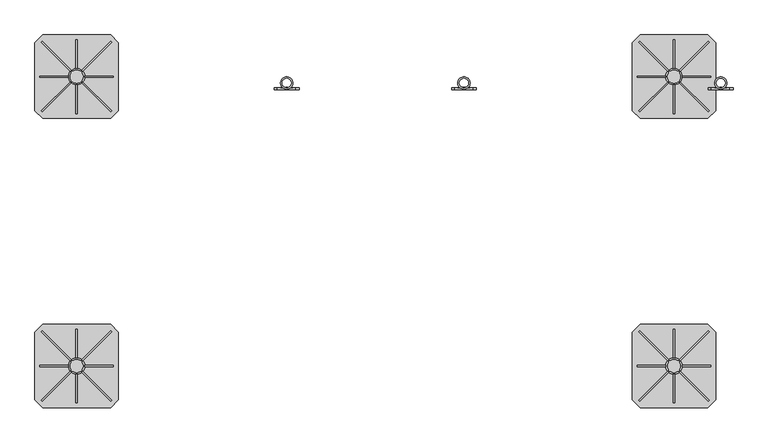
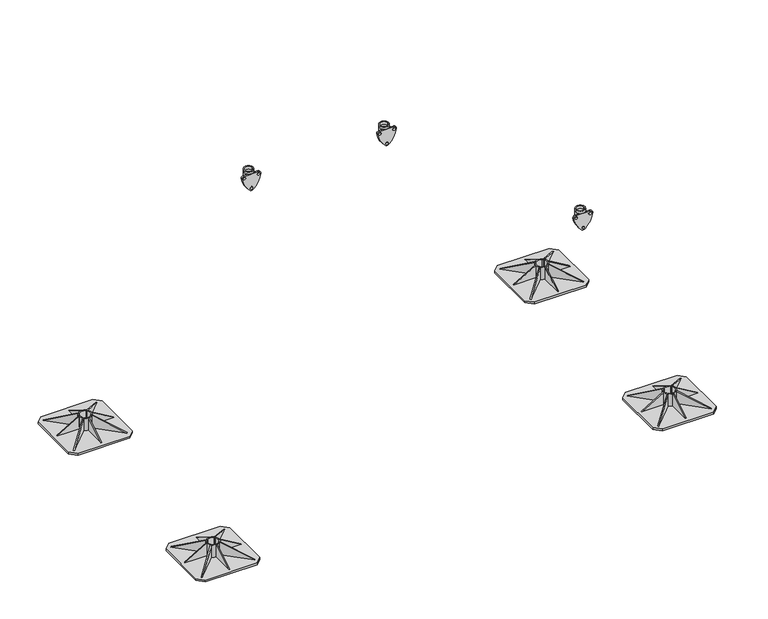
"""IFC4 building model written with IfcOpenShell, lengths in millimetres: beam geometry."""

from ifc_helpers import new_model, si_unit, point, frame, frame_2d, origin, origin_with_axes, place, context, project, spatial, polyline, circle_curve, trimmed, segment, composite_curve, outline, extrude, source, transform, mapped, element, save
from ifc_brep_helpers import plane_surface, cylinder_surface, revolved_surface, advanced_brep


def beam_6e7a7972(model_context):
    return source(origin(), model_context, "Body", "SolidModel", [
        extrude(outline(polyline([(0.0, 0.0), (169.9235121, 0.0), (145.0593839, -60.0564328), (0.0, 0.0)])), frame((1277.0218613, 419.9426048, 10.0), z_axis=(0.7071067811865491, 0.7071067811865459, 0.0), x_axis=(-0.653327860317026, 0.653327860317029, 0.3825250499864671)), (0.0, 0.0, 1.0), 5.0),
        extrude(outline(polyline([(0.0, 0.0), (-145.0593839, -60.0564328), (-169.9235121, 0.0), (0.0, 0.0)])), frame((1013.9781387, 419.9426048, 10.0), z_axis=(-0.7071067811865449, 0.7071067811865502, 0.0), x_axis=(-0.65332786031703, -0.653327860317025, -0.38252504998646697)), (0.0, 0.0, 1.0), 5.0),
        extrude(outline(polyline([(0.0, 0.0), (169.9235121, 0.0), (145.0593839, -60.0564328), (0.0, 0.0)])), frame((1280.5573952, 686.5218613, 10.0), z_axis=(-0.707106781186539, 0.7071067811865561, 0.0), x_axis=(-0.6533278603170355, -0.6533278603170196, 0.3825250499864671)), (0.0, 0.0, 1.0), 5.0),
        extrude(outline(polyline([(10.0, 1004.0), (10.0, 1114.0), (75.0, 1114.0), (10.0, 1004.0)])), frame((0.0, 552.5, 0.0), z_axis=(0.0, 1.0, 0.0), x_axis=(0.0, 0.0, 1.0)), (0.0, 0.0, 1.0), 5.0),
        extrude(outline(polyline([(696.5, 10.0), (586.5, 10.0), (586.5, 75.0), (696.5, 10.0)])), frame((1143.0, 0.0, 0.0), z_axis=(1.0, 0.0, 0.0), x_axis=(0.0, 1.0, 0.0)), (0.0, 0.0, 1.0), 5.0),
        extrude(outline(polyline([(413.5, 10.0), (523.5, 75.0), (523.5, 10.0), (413.5, 10.0)])), frame((1143.0, 0.0, 0.0), z_axis=(1.0, 0.0, 0.0), x_axis=(0.0, 1.0, 0.0)), (0.0, 0.0, 1.0), 5.0),
        extrude(outline(polyline([(0.0, 0.0), (-145.0593839, -60.0564328), (-169.9235121, 0.0), (0.0, 0.0)])), frame((1010.4426048, 686.5218613, 10.0), z_axis=(0.7071067811865491, 0.707106781186546, 0.0), x_axis=(-0.6533278603170262, 0.653327860317029, -0.3825250499864671)), (0.0, 0.0, 1.0), 5.0),
        extrude(outline(polyline([(10.0, 1287.0), (75.0, 1177.0), (10.0, 1177.0), (10.0, 1287.0)])), frame((0.0, 552.5, 0.0), z_axis=(0.0, 1.0, 0.0), x_axis=(0.0, 0.0, 1.0)), (0.0, 0.0, 1.0), 5.0),
        extrude(outline(composite_curve([segment(trimmed(circle_curve(frame_2d((1145.5, 555.0)), 31.5), [point((1114.0, 555.0))], [point((1177.0, 555.0))], False, "CARTESIAN"), True, "CONTINUOUS"), segment(trimmed(circle_curve(frame_2d((1145.5, 555.0)), 31.5), [point((1177.0, 555.0))], [point((1114.0, 555.0))], False, "CARTESIAN"), True, "CONTINUOUS")], self_intersect=False), holes=[composite_curve([segment(polyline([(1125.5, 540.0), (1125.5, 535.0), (1130.5, 535.0)]), True, "CONTINUOUS"), segment(trimmed(circle_curve(frame_2d((1145.5, 555.0)), 25.0), [point((1130.5, 535.0))], [point((1160.5, 535.0))], True, "CARTESIAN"), True, "CONTINUOUS"), segment(polyline([(1160.5, 535.0), (1165.5, 535.0), (1165.5, 540.0)]), True, "CONTINUOUS"), segment(trimmed(circle_curve(frame_2d((1145.5, 555.0)), 25.0), [point((1165.5, 540.0))], [point((1165.5, 570.0))], True, "CARTESIAN"), True, "CONTINUOUS"), segment(polyline([(1165.5, 570.0), (1165.5, 575.0), (1160.5, 575.0)]), True, "CONTINUOUS"), segment(trimmed(circle_curve(frame_2d((1145.5, 555.0)), 25.0), [point((1160.5, 575.0))], [point((1130.5, 575.0))], True, "CARTESIAN"), True, "CONTINUOUS"), segment(polyline([(1130.5, 575.0), (1125.5, 575.0), (1125.5, 570.0)]), True, "CONTINUOUS"), segment(trimmed(circle_curve(frame_2d((1145.5, 555.0)), 25.0), [point((1125.5, 570.0))], [point((1125.5, 540.0))], True, "CARTESIAN"), True, "CONTINUOUS")], self_intersect=False)]), frame((0.0, 0.0, 10.0), z_axis=(0.0, 0.0, 1.0), x_axis=(1.0, 0.0, 0.0)), (0.0, 0.0, 1.0), 65.0),
        extrude(outline(polyline([(1275.5, 715.0), (1305.5, 685.0), (1305.5, 425.0), (1275.5, 395.0), (1015.5, 395.0), (985.5, 425.0), (985.5, 685.0), (1015.5, 715.0), (1275.5, 715.0)])), origin_with_axes(), (0.0, 0.0, 1.0), 10.0),
        extrude(outline(polyline([(0.0, 0.0), (169.9235121, 0.0), (145.0593839, -60.0564328), (0.0, 0.0)])), frame((-1013.9781387, 419.9426048, 10.0), z_axis=(0.7071067811865491, 0.7071067811865459, 0.0), x_axis=(-0.653327860317026, 0.653327860317029, 0.3825250499864671)), (0.0, 0.0, 1.0), 5.0),
        extrude(outline(polyline([(0.0, 0.0), (-145.0593839, -60.0564328), (-169.9235121, 0.0), (0.0, 0.0)])), frame((-1277.0218613, 419.9426048, 10.0), z_axis=(-0.7071067811865449, 0.7071067811865502, 0.0), x_axis=(-0.65332786031703, -0.653327860317025, -0.38252504998646697)), (0.0, 0.0, 1.0), 5.0),
        extrude(outline(polyline([(0.0, 0.0), (169.9235121, 0.0), (145.0593839, -60.0564328), (0.0, 0.0)])), frame((-1010.4426048, 686.5218613, 10.0), z_axis=(-0.707106781186539, 0.7071067811865561, 0.0), x_axis=(-0.6533278603170355, -0.6533278603170196, 0.3825250499864671)), (0.0, 0.0, 1.0), 5.0),
        extrude(outline(polyline([(10.0, -1287.0), (10.0, -1177.0), (75.0, -1177.0), (10.0, -1287.0)])), frame((0.0, 552.5, 0.0), z_axis=(0.0, 1.0, 0.0), x_axis=(0.0, 0.0, 1.0)), (0.0, 0.0, 1.0), 5.0),
        extrude(outline(polyline([(696.5, 10.0), (586.5, 10.0), (586.5, 75.0), (696.5, 10.0)])), frame((-1148.0, 0.0, 0.0), z_axis=(1.0, 0.0, 0.0), x_axis=(0.0, 1.0, 0.0)), (0.0, 0.0, 1.0), 5.0),
        extrude(outline(polyline([(413.5, 10.0), (523.5, 75.0), (523.5, 10.0), (413.5, 10.0)])), frame((-1148.0, 0.0, 0.0), z_axis=(1.0, 0.0, 0.0), x_axis=(0.0, 1.0, 0.0)), (0.0, 0.0, 1.0), 5.0),
        extrude(outline(polyline([(0.0, 0.0), (-145.0593839, -60.0564328), (-169.9235121, 0.0), (0.0, 0.0)])), frame((-1280.5573952, 686.5218613, 10.0), z_axis=(0.7071067811865491, 0.707106781186546, 0.0), x_axis=(-0.6533278603170262, 0.653327860317029, -0.3825250499864671)), (0.0, 0.0, 1.0), 5.0),
        extrude(outline(polyline([(10.0, -1004.0), (75.0, -1114.0), (10.0, -1114.0), (10.0, -1004.0)])), frame((0.0, 552.5, 0.0), z_axis=(0.0, 1.0, 0.0), x_axis=(0.0, 0.0, 1.0)), (0.0, 0.0, 1.0), 5.0),
        extrude(outline(composite_curve([segment(trimmed(circle_curve(frame_2d((-1145.5, 555.0)), 31.5), [point((-1177.0, 555.0))], [point((-1114.0, 555.0))], False, "CARTESIAN"), True, "CONTINUOUS"), segment(trimmed(circle_curve(frame_2d((-1145.5, 555.0)), 31.5), [point((-1114.0, 555.0))], [point((-1177.0, 555.0))], False, "CARTESIAN"), True, "CONTINUOUS")], self_intersect=False), holes=[composite_curve([segment(polyline([(-1165.5, 540.0), (-1165.5, 535.0), (-1160.5, 535.0)]), True, "CONTINUOUS"), segment(trimmed(circle_curve(frame_2d((-1145.5, 555.0)), 25.0), [point((-1160.5, 535.0))], [point((-1130.5, 535.0))], True, "CARTESIAN"), True, "CONTINUOUS"), segment(polyline([(-1130.5, 535.0), (-1125.5, 535.0), (-1125.5, 540.0)]), True, "CONTINUOUS"), segment(trimmed(circle_curve(frame_2d((-1145.5, 555.0)), 25.0), [point((-1125.5, 540.0))], [point((-1125.5, 570.0))], True, "CARTESIAN"), True, "CONTINUOUS"), segment(polyline([(-1125.5, 570.0), (-1125.5, 575.0), (-1130.5, 575.0)]), True, "CONTINUOUS"), segment(trimmed(circle_curve(frame_2d((-1145.5, 555.0)), 25.0), [point((-1130.5, 575.0))], [point((-1160.5, 575.0))], True, "CARTESIAN"), True, "CONTINUOUS"), segment(polyline([(-1160.5, 575.0), (-1165.5, 575.0), (-1165.5, 570.0)]), True, "CONTINUOUS"), segment(trimmed(circle_curve(frame_2d((-1145.5, 555.0)), 25.0), [point((-1165.5, 570.0))], [point((-1165.5, 540.0))], True, "CARTESIAN"), True, "CONTINUOUS")], self_intersect=False)]), frame((0.0, 0.0, 10.0), z_axis=(0.0, 0.0, 1.0), x_axis=(1.0, 0.0, 0.0)), (0.0, 0.0, 1.0), 65.0),
        extrude(outline(polyline([(-1015.5, 715.0), (-985.5, 685.0), (-985.5, 425.0), (-1015.5, 395.0), (-1275.5, 395.0), (-1305.5, 425.0), (-1305.5, 685.0), (-1275.5, 715.0), (-1015.5, 715.0)])), origin_with_axes(), (0.0, 0.0, 1.0), 10.0),
        extrude(outline(polyline([(0.0, 0.0), (169.9235121, 0.0), (145.0593839, -60.0564328), (0.0, 0.0)])), frame((1277.3159116, -690.0573952, 10.0), z_axis=(0.7071067811865491, 0.7071067811865459, 0.0), x_axis=(-0.653327860317026, 0.653327860317029, 0.3825250499864671)), (0.0, 0.0, 1.0), 5.0),
        extrude(outline(polyline([(0.0, 0.0), (-145.059384, -60.0564328), (-169.9235122, 0.0), (0.0, 0.0)])), frame((1014.272189, -690.0573952, 10.0), z_axis=(-0.7071067811865449, 0.7071067811865502, 0.0), x_axis=(-0.65332786031703, -0.653327860317025, -0.38252504998646697)), (0.0, 0.0, 1.0), 5.0),
        extrude(outline(polyline([(0.0, 0.0), (169.9235121, 0.0), (145.0593839, -60.0564328), (0.0, 0.0)])), frame((1280.8514455, -423.4781387, 10.0), z_axis=(-0.707106781186539, 0.7071067811865561, 0.0), x_axis=(-0.6533278603170355, -0.6533278603170196, 0.3825250499864671)), (0.0, 0.0, 1.0), 5.0),
        extrude(outline(polyline([(10.0, 1004.2940503), (10.0, 1114.2940503), (75.0, 1114.2940503), (10.0, 1004.2940503)])), frame((0.0, -557.5, 0.0), z_axis=(0.0, 1.0, 0.0), x_axis=(0.0, 0.0, 1.0)), (0.0, 0.0, 1.0), 5.0),
        extrude(outline(polyline([(-413.5, 10.0), (-523.5, 10.0), (-523.5, 75.0), (-413.5, 10.0)])), frame((1143.2940503, 0.0, 0.0), z_axis=(1.0, 0.0, 0.0), x_axis=(0.0, 1.0, 0.0)), (0.0, 0.0, 1.0), 5.0),
        extrude(outline(polyline([(-696.5, 10.0), (-586.5, 75.0), (-586.5, 10.0), (-696.5, 10.0)])), frame((1143.2940503, 0.0, 0.0), z_axis=(1.0, 0.0, 0.0), x_axis=(0.0, 1.0, 0.0)), (0.0, 0.0, 1.0), 5.0),
        extrude(outline(polyline([(0.0, 0.0), (-145.059384, -60.0564328), (-169.9235122, 0.0), (0.0, 0.0)])), frame((1010.7366551, -423.4781387, 10.0), z_axis=(0.7071067811865491, 0.707106781186546, 0.0), x_axis=(-0.6533278603170262, 0.653327860317029, -0.3825250499864671)), (0.0, 0.0, 1.0), 5.0),
        extrude(outline(polyline([(10.0, 1287.2940503), (75.0, 1177.2940503), (10.0, 1177.2940503), (10.0, 1287.2940503)])), frame((0.0, -557.5, 0.0), z_axis=(0.0, 1.0, 0.0), x_axis=(0.0, 0.0, 1.0)), (0.0, 0.0, 1.0), 5.0),
        extrude(outline(composite_curve([segment(trimmed(circle_curve(frame_2d((1145.7940503, -555.0)), 31.5), [point((1114.2940503, -555.0))], [point((1177.2940503, -555.0))], False, "CARTESIAN"), True, "CONTINUOUS"), segment(trimmed(circle_curve(frame_2d((1145.7940503, -555.0)), 31.5), [point((1177.2940503, -555.0))], [point((1114.2940503, -555.0))], False, "CARTESIAN"), True, "CONTINUOUS")], self_intersect=False), holes=[composite_curve([segment(polyline([(1125.7940503, -570.0), (1125.7940503, -575.0), (1130.7940503, -575.0)]), True, "CONTINUOUS"), segment(trimmed(circle_curve(frame_2d((1145.7940503, -555.0)), 25.0), [point((1130.7940503, -575.0))], [point((1160.7940503, -575.0))], True, "CARTESIAN"), True, "CONTINUOUS"), segment(polyline([(1160.7940503, -575.0), (1165.7940503, -575.0), (1165.7940503, -570.0)]), True, "CONTINUOUS"), segment(trimmed(circle_curve(frame_2d((1145.7940503, -555.0)), 25.0), [point((1165.7940503, -570.0))], [point((1165.7940503, -540.0))], True, "CARTESIAN"), True, "CONTINUOUS"), segment(polyline([(1165.7940503, -540.0), (1165.7940503, -535.0), (1160.7940503, -535.0)]), True, "CONTINUOUS"), segment(trimmed(circle_curve(frame_2d((1145.7940503, -555.0)), 25.0), [point((1160.7940503, -535.0))], [point((1130.7940503, -535.0))], True, "CARTESIAN"), True, "CONTINUOUS"), segment(polyline([(1130.7940503, -535.0), (1125.7940503, -535.0), (1125.7940503, -540.0)]), True, "CONTINUOUS"), segment(trimmed(circle_curve(frame_2d((1145.7940503, -555.0)), 25.0), [point((1125.7940503, -540.0))], [point((1125.7940503, -570.0))], True, "CARTESIAN"), True, "CONTINUOUS")], self_intersect=False)]), frame((0.0, 0.0, 10.0), z_axis=(0.0, 0.0, 1.0), x_axis=(1.0, 0.0, 0.0)), (0.0, 0.0, 1.0), 65.0),
        extrude(outline(polyline([(1275.7940503, -395.0), (1305.7940503, -425.0), (1305.7940503, -685.0), (1275.7940503, -715.0), (1015.7940503, -715.0), (985.7940503, -685.0), (985.7940503, -425.0), (1015.7940503, -395.0), (1275.7940503, -395.0)])), origin_with_axes(), (0.0, 0.0, 1.0), 10.0),
        extrude(outline(polyline([(0.0, 0.0), (169.9235121, 0.0), (145.0593839, -60.0564328), (0.0, 0.0)])), frame((-1013.9781387, -690.0573952, 10.0), z_axis=(0.7071067811865491, 0.7071067811865459, 0.0), x_axis=(-0.653327860317026, 0.653327860317029, 0.3825250499864671)), (0.0, 0.0, 1.0), 5.0),
        extrude(outline(polyline([(0.0, 0.0), (-145.0593839, -60.0564328), (-169.9235121, 0.0), (0.0, 0.0)])), frame((-1277.0218613, -690.0573952, 10.0), z_axis=(-0.7071067811865449, 0.7071067811865502, 0.0), x_axis=(-0.65332786031703, -0.653327860317025, -0.38252504998646697)), (0.0, 0.0, 1.0), 5.0),
        extrude(outline(polyline([(0.0, 0.0), (169.9235121, 0.0), (145.0593839, -60.0564328), (0.0, 0.0)])), frame((-1010.4426048, -423.4781387, 10.0), z_axis=(-0.707106781186539, 0.7071067811865561, 0.0), x_axis=(-0.6533278603170355, -0.6533278603170196, 0.3825250499864671)), (0.0, 0.0, 1.0), 5.0),
        extrude(outline(polyline([(10.0, -1287.0), (10.0, -1177.0), (75.0, -1177.0), (10.0, -1287.0)])), frame((0.0, -557.5, 0.0), z_axis=(0.0, 1.0, 0.0), x_axis=(0.0, 0.0, 1.0)), (0.0, 0.0, 1.0), 5.0),
        extrude(outline(polyline([(-413.5, 10.0), (-523.5, 10.0), (-523.5, 75.0), (-413.5, 10.0)])), frame((-1148.0, 0.0, 0.0), z_axis=(1.0, 0.0, 0.0), x_axis=(0.0, 1.0, 0.0)), (0.0, 0.0, 1.0), 5.0),
        extrude(outline(polyline([(-696.5, 10.0), (-586.5, 75.0), (-586.5, 10.0), (-696.5, 10.0)])), frame((-1148.0, 0.0, 0.0), z_axis=(1.0, 0.0, 0.0), x_axis=(0.0, 1.0, 0.0)), (0.0, 0.0, 1.0), 5.0),
        extrude(outline(polyline([(0.0, 0.0), (-145.0593839, -60.0564328), (-169.9235121, 0.0), (0.0, 0.0)])), frame((-1280.5573952, -423.4781387, 10.0), z_axis=(0.7071067811865491, 0.707106781186546, 0.0), x_axis=(-0.6533278603170262, 0.653327860317029, -0.3825250499864671)), (0.0, 0.0, 1.0), 5.0),
        extrude(outline(polyline([(10.0, -1004.0), (75.0, -1114.0), (10.0, -1114.0), (10.0, -1004.0)])), frame((0.0, -557.5, 0.0), z_axis=(0.0, 1.0, 0.0), x_axis=(0.0, 0.0, 1.0)), (0.0, 0.0, 1.0), 5.0),
        extrude(outline(composite_curve([segment(trimmed(circle_curve(frame_2d((-1145.5, -555.0)), 31.5), [point((-1177.0, -555.0))], [point((-1114.0, -555.0))], False, "CARTESIAN"), True, "CONTINUOUS"), segment(trimmed(circle_curve(frame_2d((-1145.5, -555.0)), 31.5), [point((-1114.0, -555.0))], [point((-1177.0, -555.0))], False, "CARTESIAN"), True, "CONTINUOUS")], self_intersect=False), holes=[composite_curve([segment(polyline([(-1165.5, -570.0), (-1165.5, -575.0), (-1160.5, -575.0)]), True, "CONTINUOUS"), segment(trimmed(circle_curve(frame_2d((-1145.5, -555.0)), 25.0), [point((-1160.5, -575.0))], [point((-1130.5, -575.0))], True, "CARTESIAN"), True, "CONTINUOUS"), segment(polyline([(-1130.5, -575.0), (-1125.5, -575.0), (-1125.5, -570.0)]), True, "CONTINUOUS"), segment(trimmed(circle_curve(frame_2d((-1145.5, -555.0)), 25.0), [point((-1125.5, -570.0))], [point((-1125.5, -540.0))], True, "CARTESIAN"), True, "CONTINUOUS"), segment(polyline([(-1125.5, -540.0), (-1125.5, -535.0), (-1130.5, -535.0)]), True, "CONTINUOUS"), segment(trimmed(circle_curve(frame_2d((-1145.5, -555.0)), 25.0), [point((-1130.5, -535.0))], [point((-1160.5, -535.0))], True, "CARTESIAN"), True, "CONTINUOUS"), segment(polyline([(-1160.5, -535.0), (-1165.5, -535.0), (-1165.5, -540.0)]), True, "CONTINUOUS"), segment(trimmed(circle_curve(frame_2d((-1145.5, -555.0)), 25.0), [point((-1165.5, -540.0))], [point((-1165.5, -570.0))], True, "CARTESIAN"), True, "CONTINUOUS")], self_intersect=False)]), frame((0.0, 0.0, 10.0), z_axis=(0.0, 0.0, 1.0), x_axis=(1.0, 0.0, 0.0)), (0.0, 0.0, 1.0), 65.0),
        extrude(outline(polyline([(-1015.5, -395.0), (-985.5, -425.0), (-985.5, -685.0), (-1015.5, -715.0), (-1275.5, -715.0), (-1305.5, -685.0), (-1305.5, -425.0), (-1275.5, -395.0), (-1015.5, -395.0)])), origin_with_axes(), (0.0, 0.0, 1.0), 10.0),
        advanced_brep(
        [(1301.5, 530.5, 318.5021879), (1348.5, 530.5, 318.5021879), (1307.5, 530.5, 318.5021879), (1342.5, 530.5, 318.5021879), (1309.3156129, 513.0, 306.5021879), (1325.0, 513.0, 306.5021879), (1340.6843871, 513.0, 306.5021879), (1342.5, 530.5, 306.5021879), (1329.2742096, 513.5299932, 306.5021879), (1325.0, 513.0, 306.5021879), (1320.7257904, 513.5299932, 306.5021879), (1307.5, 530.5, 306.5021879), (1348.5, 530.5, 306.5021879), (1301.5, 530.5, 306.5021879), (1305.0724935, 518.0442991, 306.5021879), (1344.9275065, 518.0442991, 306.5021879), (1347.839834, 513.0, 306.5021879), (1302.160166, 513.0, 306.5021879), (1344.9275065, 518.0442991, 242.5021879), (1347.839834, 513.0, 242.5021879), (1302.160166, 513.0, 242.5021879), (1305.0724935, 518.0442991, 242.5021879), (1329.2742096, 513.5299932, 242.5021879), (1320.7257904, 513.5299932, 242.5021879)],
        [
            (0, 1, circle_curve(frame((1325.0, 530.5, 318.5021879), z_axis=(0.0, 0.0, 1.0), x_axis=(1.0, 0.0, 0.0)), 23.5)),
            (1, 0, circle_curve(frame((1325.0, 530.5, 318.5021879), z_axis=(0.0, 0.0, 1.0), x_axis=(1.0, 0.0, 0.0)), 23.5)),
            (2, 3, circle_curve(frame((1325.0, 530.5, 318.5021879), z_axis=(0.0, 0.0, -1.0), x_axis=(1.0, 0.0, 0.0)), 17.5)),
            (3, 2, circle_curve(frame((1325.0, 530.5, 318.5021879), z_axis=(0.0, 0.0, -1.0), x_axis=(1.0, 0.0, 0.0)), 17.5)),
            (4, 5),
            (5, 6),
            (6, 4, circle_curve(frame((1325.0, 530.5, 306.5021879), z_axis=(0.0, 0.0, -1.0), x_axis=(1.0, 0.0, 0.0)), 23.5)),
            (3, 7),
            (7, 8, circle_curve(frame((1325.0, 530.5, 306.5021879), z_axis=(0.0, 0.0, -1.0), x_axis=(1.0, 0.0, 0.0)), 17.5)),
            (8, 9, circle_curve(frame((1325.0, 530.5, 306.5021879), z_axis=(0.0, 0.0, -1.0), x_axis=(1.0, 0.0, 0.0)), 17.5)),
            (9, 10, circle_curve(frame((1325.0, 530.5, 306.5021879), z_axis=(0.0, 0.0, -1.0), x_axis=(1.0, 0.0, 0.0)), 17.5)),
            (10, 11, circle_curve(frame((1325.0, 530.5, 306.5021879), z_axis=(0.0, 0.0, -1.0), x_axis=(1.0, 0.0, 0.0)), 17.5)),
            (11, 2),
            (11, 7, circle_curve(frame((1325.0, 530.5, 306.5021879), z_axis=(0.0, 0.0, -1.0), x_axis=(1.0, 0.0, 0.0)), 17.5)),
            (1, 12),
            (12, 13, circle_curve(frame((1325.0, 530.5, 306.5021879), z_axis=(0.0, 0.0, 1.0), x_axis=(1.0, 0.0, 0.0)), 23.5)),
            (13, 0),
            (13, 14, circle_curve(frame((1325.0, 530.5, 306.5021879), z_axis=(0.0, 0.0, 1.0), x_axis=(1.0, 0.0, 0.0)), 23.5)),
            (14, 4, circle_curve(frame((1325.0, 530.5, 306.5021879), z_axis=(0.0, 0.0, 1.0), x_axis=(1.0, 0.0, 0.0)), 23.5)),
            (6, 15, circle_curve(frame((1325.0, 530.5, 306.5021879), z_axis=(0.0, 0.0, 1.0), x_axis=(1.0, 0.0, 0.0)), 23.5)),
            (15, 12, circle_curve(frame((1325.0, 530.5, 306.5021879), z_axis=(0.0, 0.0, 1.0), x_axis=(1.0, 0.0, 0.0)), 23.5)),
            (8, 10),
            (6, 16),
            (16, 15, circle_curve(frame((1347.8288747, 516.3565387, 306.5021879), z_axis=(0.0, 0.0, -1.0), x_axis=(-1.0, 0.0, 0.0)), 3.3565566)),
            (17, 4),
            (14, 17, circle_curve(frame((1302.1711253, 516.3565387, 306.5021879), z_axis=(0.0, 0.0, -1.0), x_axis=(1.0, 0.0, 0.0)), 3.3565566)),
            (18, 19, circle_curve(frame((1347.8288747, 516.3565387, 242.5021879), z_axis=(0.0, 0.0, 1.0), x_axis=(-1.0, 0.0, 0.0)), 3.3565566)),
            (19, 20),
            (20, 21, circle_curve(frame((1302.1711253, 516.3565387, 242.5021879), z_axis=(0.0, 0.0, 1.0), x_axis=(1.0, 0.0, 0.0)), 3.3565566)),
            (21, 18, circle_curve(frame((1325.0, 530.5, 242.5021879), z_axis=(0.0, 0.0, -1.0), x_axis=(1.0, 0.0, 0.0)), 23.5)),
            (22, 23, circle_curve(frame((1325.0, 530.5, 242.5021879), z_axis=(0.0, 0.0, 1.0), x_axis=(1.0, 0.0, 0.0)), 17.5)),
            (23, 22),
            (22, 8),
            (10, 23),
            (16, 19),
            (18, 15),
            (17, 20),
            (14, 21),
        ],
        [
            plane_surface(frame((1342.5, 530.5, 318.5021879), z_axis=(0.0, 0.0, 1.0), x_axis=(0.0, 1.0, 0.0))),
            plane_surface(frame((1342.5, 530.5, 306.5021879), z_axis=(0.0, 0.0, -1.0), x_axis=(0.0, -1.0, 0.0))),
            revolved_surface(polyline([(1342.5, 530.5, 306.5021879), (1342.5, 530.5, 318.5021879)]), (1325.0, 530.5, 306.5021879), (0.0, 0.0, -1.0)),
            cylinder_surface(frame((1325.0, 530.5, 306.5021879), z_axis=(0.0, 0.0, 1.0), x_axis=(1.0, 0.0, 0.0)), 23.5),
            plane_surface(frame((1342.5, 530.5, 306.5021879), z_axis=(0.0, 0.0, 1.0), x_axis=(0.0, 1.0, 0.0))),
            plane_surface(frame((1342.5, 530.5, 242.5021879), z_axis=(0.0, 0.0, -1.0), x_axis=(0.0, -1.0, 0.0))),
            revolved_surface(polyline([(1342.5, 530.5, 242.5021879), (1342.5, 530.5, 306.5021879)]), (1325.0, 530.5, 242.5021879), (0.0, 0.0, -1.0)),
            plane_surface(frame((1320.7257904, 513.5299932, 306.5021879), z_axis=(0.0, 1.0, 0.0), x_axis=(0.0, 0.0, -1.0))),
            revolved_surface(polyline([(1344.4723181, 516.3565387, 242.5021879), (1344.4723181, 516.3565387, 306.5021879)]), (1347.8288747, 516.3565387, 242.5021879), (0.0, 0.0, -1.0)),
            plane_surface(frame((1347.839834, 513.0, 306.5021879), z_axis=(0.0, -1.0, 0.0), x_axis=(0.0, 0.0, -1.0))),
            revolved_surface(polyline([(1305.5276819, 516.3565387, 242.5021879), (1305.5276819, 516.3565387, 306.5021879)]), (1302.1711253, 516.3565387, 242.5021879), (0.0, 0.0, -1.0)),
            cylinder_surface(frame((1325.0, 530.5, 242.5021879), z_axis=(0.0, 0.0, 1.0), x_axis=(1.0, 0.0, 0.0)), 23.5),
        ],
        [
            (0, [[1, 2], [3, 4]]),
            (1, [[5, 6, 7]]),
            (2, [[8, 9, 10, 11, 12, 13, -4]]),
            (2, [[-13, 14, -8, -3]]),
            (3, [[15, 16, 17, -2]]),
            (3, [[-17, 18, 19, -7, 20, 21, -15, -1]]),
            (4, [[-11, -10, 22]]),
            (4, [[-20, 23, 24]]),
            (4, [[25, -19, 26]]),
            (5, [[27, 28, 29, 30], [31, 32]]),
            (6, [[33, -9, -14, -12, 34, -31]]),
            (7, [[-33, -32, -34, -22]]),
            (8, [[35, -27, 36, -24]]),
            (9, [[-35, -23, -6, -5, -25, 37, -28]]),
            (10, [[38, -29, -37, -26]]),
            (11, [[-38, -18, -16, -21, -36, -30]]),
        ],
    ),
        extrude(outline(composite_curve([segment(trimmed(circle_curve(frame_2d((312.1021879, 1394.4)), 118.3), [point((293.8380046, 1277.5183949))], [point((221.6269174, 1318.1824467))], False, "CARTESIAN"), True, "CONTINUOUS"), segment(trimmed(circle_curve(frame_2d((231.5021879, 1325.0)), 12.0), [point((221.6269174, 1318.1824467))], [point((223.2936993, 1333.753326))], False, "CARTESIAN"), True, "CONTINUOUS"), segment(trimmed(circle_curve(frame_2d((312.1021879, 1255.6)), 118.3), [point((223.2936993, 1333.753326))], [point((293.8380046, 1372.4816051))], False, "CARTESIAN"), True, "CONTINUOUS"), segment(trimmed(circle_curve(frame_2d((294.5021879, 1360.5)), 12.0), [point((293.8380046, 1372.4816051))], [point((306.5021879, 1360.5))], False, "CARTESIAN"), True, "CONTINUOUS"), segment(polyline([(306.5021879, 1360.5), (306.5021879, 1289.5)]), True, "CONTINUOUS"), segment(trimmed(circle_curve(frame_2d((294.5021879, 1289.5)), 12.0), [point((306.5021879, 1289.5))], [point((293.8380046, 1277.5183949))], False, "CARTESIAN"), True, "CONTINUOUS")], self_intersect=False), holes=[composite_curve([segment(trimmed(circle_curve(frame_2d((231.5021879, 1325.0)), 6.0), [point((231.5021879, 1319.0))], [point((231.5021879, 1331.0))], True, "CARTESIAN"), True, "CONTINUOUS"), segment(trimmed(circle_curve(frame_2d((231.5021879, 1325.0)), 6.0), [point((231.5021879, 1331.0))], [point((231.5021879, 1319.0))], True, "CARTESIAN"), True, "CONTINUOUS")], self_intersect=False), composite_curve([segment(trimmed(circle_curve(frame_2d((294.5021879, 1289.5)), 6.0), [point((294.5021879, 1283.5))], [point((294.5021879, 1295.5))], True, "CARTESIAN"), True, "CONTINUOUS"), segment(trimmed(circle_curve(frame_2d((294.5021879, 1289.5)), 6.0), [point((294.5021879, 1295.5))], [point((294.5021879, 1283.5))], True, "CARTESIAN"), True, "CONTINUOUS")], self_intersect=False), composite_curve([segment(trimmed(circle_curve(frame_2d((294.5021879, 1360.5)), 6.0), [point((294.5021879, 1366.5))], [point((294.5021879, 1354.5))], True, "CARTESIAN"), True, "CONTINUOUS"), segment(trimmed(circle_curve(frame_2d((294.5021879, 1360.5)), 6.0), [point((294.5021879, 1354.5))], [point((294.5021879, 1366.5))], True, "CARTESIAN"), True, "CONTINUOUS")], self_intersect=False)]), frame((0.0, 505.0, 0.0), z_axis=(0.0, 1.0, 0.0), x_axis=(0.0, 0.0, 1.0)), (0.0, 0.0, 1.0), 8.0),
        advanced_brep(
        [(316.5, 530.5, 1110.5021879), (363.5, 530.5, 1110.5021879), (322.5, 530.5, 1110.5021879), (357.5, 530.5, 1110.5021879), (324.3156129, 513.0, 1098.5021879), (340.0, 513.0, 1098.5021879), (355.6843871, 513.0, 1098.5021879), (357.5, 530.5, 1098.5021879), (344.2742096, 513.5299932, 1098.5021879), (340.0, 513.0, 1098.5021879), (335.7257904, 513.5299932, 1098.5021879), (322.5, 530.5, 1098.5021879), (363.5, 530.5, 1098.5021879), (316.5, 530.5, 1098.5021879), (320.0724935, 518.0442991, 1098.5021879), (359.9275065, 518.0442991, 1098.5021879), (362.839834, 513.0, 1098.5021879), (317.160166, 513.0, 1098.5021879), (359.9275065, 518.0442991, 1034.5021879), (362.839834, 513.0, 1034.5021879), (317.160166, 513.0, 1034.5021879), (320.0724935, 518.0442991, 1034.5021879), (344.2742096, 513.5299932, 1034.5021879), (335.7257904, 513.5299932, 1034.5021879)],
        [
            (0, 1, circle_curve(frame((340.0, 530.5, 1110.5021879), z_axis=(0.0, 0.0, 1.0), x_axis=(1.0, 0.0, 0.0)), 23.5)),
            (1, 0, circle_curve(frame((340.0, 530.5, 1110.5021879), z_axis=(0.0, 0.0, 1.0), x_axis=(1.0, 0.0, 0.0)), 23.5)),
            (2, 3, circle_curve(frame((340.0, 530.5, 1110.5021879), z_axis=(0.0, 0.0, -1.0), x_axis=(1.0, 0.0, 0.0)), 17.5)),
            (3, 2, circle_curve(frame((340.0, 530.5, 1110.5021879), z_axis=(0.0, 0.0, -1.0), x_axis=(1.0, 0.0, 0.0)), 17.5)),
            (4, 5),
            (5, 6),
            (6, 4, circle_curve(frame((340.0, 530.5, 1098.5021879), z_axis=(0.0, 0.0, -1.0), x_axis=(1.0, 0.0, 0.0)), 23.5)),
            (3, 7),
            (7, 8, circle_curve(frame((340.0, 530.5, 1098.5021879), z_axis=(0.0, 0.0, -1.0), x_axis=(1.0, 0.0, 0.0)), 17.5)),
            (8, 9, circle_curve(frame((340.0, 530.5, 1098.5021879), z_axis=(0.0, 0.0, -1.0), x_axis=(1.0, 0.0, 0.0)), 17.5)),
            (9, 10, circle_curve(frame((340.0, 530.5, 1098.5021879), z_axis=(0.0, 0.0, -1.0), x_axis=(1.0, 0.0, 0.0)), 17.5)),
            (10, 11, circle_curve(frame((340.0, 530.5, 1098.5021879), z_axis=(0.0, 0.0, -1.0), x_axis=(1.0, 0.0, 0.0)), 17.5)),
            (11, 2),
            (11, 7, circle_curve(frame((340.0, 530.5, 1098.5021879), z_axis=(0.0, 0.0, -1.0), x_axis=(1.0, 0.0, 0.0)), 17.5)),
            (1, 12),
            (12, 13, circle_curve(frame((340.0, 530.5, 1098.5021879), z_axis=(0.0, 0.0, 1.0), x_axis=(1.0, 0.0, 0.0)), 23.5)),
            (13, 0),
            (13, 14, circle_curve(frame((340.0, 530.5, 1098.5021879), z_axis=(0.0, 0.0, 1.0), x_axis=(1.0, 0.0, 0.0)), 23.5)),
            (14, 4, circle_curve(frame((340.0, 530.5, 1098.5021879), z_axis=(0.0, 0.0, 1.0), x_axis=(1.0, 0.0, 0.0)), 23.5)),
            (6, 15, circle_curve(frame((340.0, 530.5, 1098.5021879), z_axis=(0.0, 0.0, 1.0), x_axis=(1.0, 0.0, 0.0)), 23.5)),
            (15, 12, circle_curve(frame((340.0, 530.5, 1098.5021879), z_axis=(0.0, 0.0, 1.0), x_axis=(1.0, 0.0, 0.0)), 23.5)),
            (8, 10),
            (6, 16),
            (16, 15, circle_curve(frame((362.8288747, 516.3565387, 1098.5021879), z_axis=(0.0, 0.0, -1.0), x_axis=(-1.0, 0.0, 0.0)), 3.3565566)),
            (17, 4),
            (14, 17, circle_curve(frame((317.1711253, 516.3565387, 1098.5021879), z_axis=(0.0, 0.0, -1.0), x_axis=(1.0, 0.0, 0.0)), 3.3565566)),
            (18, 19, circle_curve(frame((362.8288747, 516.3565387, 1034.5021879), z_axis=(0.0, 0.0, 1.0), x_axis=(-1.0, 0.0, 0.0)), 3.3565566)),
            (19, 20),
            (20, 21, circle_curve(frame((317.1711253, 516.3565387, 1034.5021879), z_axis=(0.0, 0.0, 1.0), x_axis=(1.0, 0.0, 0.0)), 3.3565566)),
            (21, 18, circle_curve(frame((340.0, 530.5, 1034.5021879), z_axis=(0.0, 0.0, -1.0), x_axis=(1.0, 0.0, 0.0)), 23.5)),
            (22, 23, circle_curve(frame((340.0, 530.5, 1034.5021879), z_axis=(0.0, 0.0, 1.0), x_axis=(1.0, 0.0, 0.0)), 17.5)),
            (23, 22),
            (22, 8),
            (10, 23),
            (16, 19),
            (18, 15),
            (17, 20),
            (14, 21),
        ],
        [
            plane_surface(frame((357.5, 530.5, 1110.5021879), z_axis=(0.0, 0.0, 1.0), x_axis=(0.0, 1.0, 0.0))),
            plane_surface(frame((357.5, 530.5, 1098.5021879), z_axis=(0.0, 0.0, -1.0), x_axis=(0.0, -1.0, 0.0))),
            revolved_surface(polyline([(357.5, 530.5, 1098.5021879), (357.5, 530.5, 1110.5021879)]), (340.0, 530.5, 1098.5021879), (0.0, 0.0, -1.0)),
            cylinder_surface(frame((340.0, 530.5, 1098.5021879), z_axis=(0.0, 0.0, 1.0), x_axis=(1.0, 0.0, 0.0)), 23.5),
            plane_surface(frame((357.5, 530.5, 1098.5021879), z_axis=(0.0, 0.0, 1.0), x_axis=(0.0, 1.0, 0.0))),
            plane_surface(frame((357.5, 530.5, 1034.5021879), z_axis=(0.0, 0.0, -1.0), x_axis=(0.0, -1.0, 0.0))),
            revolved_surface(polyline([(357.5, 530.5, 1034.5021879), (357.5, 530.5, 1098.5021879)]), (340.0, 530.5, 1034.5021879), (0.0, 0.0, -1.0)),
            plane_surface(frame((335.7257904, 513.5299932, 1098.5021879), z_axis=(0.0, 1.0, 0.0), x_axis=(0.0, 0.0, -1.0))),
            revolved_surface(polyline([(359.4723181, 516.3565387, 1034.5021879), (359.4723181, 516.3565387, 1098.5021879)]), (362.8288747, 516.3565387, 1034.5021879), (0.0, 0.0, -1.0)),
            plane_surface(frame((362.839834, 513.0, 1098.5021879), z_axis=(0.0, -1.0, 0.0), x_axis=(0.0, 0.0, -1.0))),
            revolved_surface(polyline([(320.5276819, 516.3565387, 1034.5021879), (320.5276819, 516.3565387, 1098.5021879)]), (317.1711253, 516.3565387, 1034.5021879), (0.0, 0.0, -1.0)),
            cylinder_surface(frame((340.0, 530.5, 1034.5021879), z_axis=(0.0, 0.0, 1.0), x_axis=(1.0, 0.0, 0.0)), 23.5),
        ],
        [
            (0, [[1, 2], [3, 4]]),
            (1, [[5, 6, 7]]),
            (2, [[8, 9, 10, 11, 12, 13, -4]]),
            (2, [[-13, 14, -8, -3]]),
            (3, [[15, 16, 17, -2]]),
            (3, [[-17, 18, 19, -7, 20, 21, -15, -1]]),
            (4, [[-11, -10, 22]]),
            (4, [[-20, 23, 24]]),
            (4, [[25, -19, 26]]),
            (5, [[27, 28, 29, 30], [31, 32]]),
            (6, [[33, -9, -14, -12, 34, -31]]),
            (7, [[-33, -32, -34, -22]]),
            (8, [[35, -27, 36, -24]]),
            (9, [[-35, -23, -6, -5, -25, 37, -28]]),
            (10, [[38, -29, -37, -26]]),
            (11, [[-38, -18, -16, -21, -36, -30]]),
        ],
    ),
        extrude(outline(composite_curve([segment(trimmed(circle_curve(frame_2d((1104.1021879, 409.4)), 118.3), [point((1085.8380046, 292.5183949))], [point((1013.6269174, 333.1824467))], False, "CARTESIAN"), True, "CONTINUOUS"), segment(trimmed(circle_curve(frame_2d((1023.5021879, 340.0)), 12.0), [point((1013.6269174, 333.1824467))], [point((1015.2936993, 348.753326))], False, "CARTESIAN"), True, "CONTINUOUS"), segment(trimmed(circle_curve(frame_2d((1104.1021879, 270.6)), 118.3), [point((1015.2936993, 348.753326))], [point((1085.8380046, 387.4816051))], False, "CARTESIAN"), True, "CONTINUOUS"), segment(trimmed(circle_curve(frame_2d((1086.5021879, 375.5)), 12.0), [point((1085.8380046, 387.4816051))], [point((1098.5021879, 375.5))], False, "CARTESIAN"), True, "CONTINUOUS"), segment(polyline([(1098.5021879, 375.5), (1098.5021879, 304.5)]), True, "CONTINUOUS"), segment(trimmed(circle_curve(frame_2d((1086.5021879, 304.5)), 12.0), [point((1098.5021879, 304.5))], [point((1085.8380046, 292.5183949))], False, "CARTESIAN"), True, "CONTINUOUS")], self_intersect=False), holes=[composite_curve([segment(trimmed(circle_curve(frame_2d((1023.5021879, 340.0)), 6.0), [point((1023.5021879, 334.0))], [point((1023.5021879, 346.0))], True, "CARTESIAN"), True, "CONTINUOUS"), segment(trimmed(circle_curve(frame_2d((1023.5021879, 340.0)), 6.0), [point((1023.5021879, 346.0))], [point((1023.5021879, 334.0))], True, "CARTESIAN"), True, "CONTINUOUS")], self_intersect=False), composite_curve([segment(trimmed(circle_curve(frame_2d((1086.5021879, 304.5)), 6.0), [point((1086.5021879, 298.5))], [point((1086.5021879, 310.5))], True, "CARTESIAN"), True, "CONTINUOUS"), segment(trimmed(circle_curve(frame_2d((1086.5021879, 304.5)), 6.0), [point((1086.5021879, 310.5))], [point((1086.5021879, 298.5))], True, "CARTESIAN"), True, "CONTINUOUS")], self_intersect=False), composite_curve([segment(trimmed(circle_curve(frame_2d((1086.5021879, 375.5)), 6.0), [point((1086.5021879, 381.5))], [point((1086.5021879, 369.5))], True, "CARTESIAN"), True, "CONTINUOUS"), segment(trimmed(circle_curve(frame_2d((1086.5021879, 375.5)), 6.0), [point((1086.5021879, 369.5))], [point((1086.5021879, 381.5))], True, "CARTESIAN"), True, "CONTINUOUS")], self_intersect=False)]), frame((0.0, 505.0, 0.0), z_axis=(0.0, 1.0, 0.0), x_axis=(0.0, 0.0, 1.0)), (0.0, 0.0, 1.0), 8.0),
        advanced_brep(
        [(-363.5, 530.5, 1110.5021879), (-316.5, 530.5, 1110.5021879), (-357.5, 530.5, 1110.5021879), (-322.5, 530.5, 1110.5021879), (-355.6843871, 513.0, 1098.5021879), (-340.0, 513.0, 1098.5021879), (-324.3156129, 513.0, 1098.5021879), (-322.5, 530.5, 1098.5021879), (-335.7257904, 513.5299932, 1098.5021879), (-340.0, 513.0, 1098.5021879), (-344.2742096, 513.5299932, 1098.5021879), (-357.5, 530.5, 1098.5021879), (-316.5, 530.5, 1098.5021879), (-363.5, 530.5, 1098.5021879), (-359.9275065, 518.0442991, 1098.5021879), (-320.0724935, 518.0442991, 1098.5021879), (-317.160166, 513.0, 1098.5021879), (-362.839834, 513.0, 1098.5021879), (-320.0724935, 518.0442991, 1034.5021879), (-317.160166, 513.0, 1034.5021879), (-362.839834, 513.0, 1034.5021879), (-359.9275065, 518.0442991, 1034.5021879), (-335.7257904, 513.5299932, 1034.5021879), (-344.2742096, 513.5299932, 1034.5021879)],
        [
            (0, 1, circle_curve(frame((-340.0, 530.5, 1110.5021879), z_axis=(0.0, 0.0, 1.0), x_axis=(1.0, 0.0, 0.0)), 23.5)),
            (1, 0, circle_curve(frame((-340.0, 530.5, 1110.5021879), z_axis=(0.0, 0.0, 1.0), x_axis=(1.0, 0.0, 0.0)), 23.5)),
            (2, 3, circle_curve(frame((-340.0, 530.5, 1110.5021879), z_axis=(0.0, 0.0, -1.0), x_axis=(1.0, 0.0, 0.0)), 17.5)),
            (3, 2, circle_curve(frame((-340.0, 530.5, 1110.5021879), z_axis=(0.0, 0.0, -1.0), x_axis=(1.0, 0.0, 0.0)), 17.5)),
            (4, 5),
            (5, 6),
            (6, 4, circle_curve(frame((-340.0, 530.5, 1098.5021879), z_axis=(0.0, 0.0, -1.0), x_axis=(1.0, 0.0, 0.0)), 23.5)),
            (3, 7),
            (7, 8, circle_curve(frame((-340.0, 530.5, 1098.5021879), z_axis=(0.0, 0.0, -1.0), x_axis=(1.0, 0.0, 0.0)), 17.5)),
            (8, 9, circle_curve(frame((-340.0, 530.5, 1098.5021879), z_axis=(0.0, 0.0, -1.0), x_axis=(1.0, 0.0, 0.0)), 17.5)),
            (9, 10, circle_curve(frame((-340.0, 530.5, 1098.5021879), z_axis=(0.0, 0.0, -1.0), x_axis=(1.0, 0.0, 0.0)), 17.5)),
            (10, 11, circle_curve(frame((-340.0, 530.5, 1098.5021879), z_axis=(0.0, 0.0, -1.0), x_axis=(1.0, 0.0, 0.0)), 17.5)),
            (11, 2),
            (11, 7, circle_curve(frame((-340.0, 530.5, 1098.5021879), z_axis=(0.0, 0.0, -1.0), x_axis=(1.0, 0.0, 0.0)), 17.5)),
            (1, 12),
            (12, 13, circle_curve(frame((-340.0, 530.5, 1098.5021879), z_axis=(0.0, 0.0, 1.0), x_axis=(1.0, 0.0, 0.0)), 23.5)),
            (13, 0),
            (13, 14, circle_curve(frame((-340.0, 530.5, 1098.5021879), z_axis=(0.0, 0.0, 1.0), x_axis=(1.0, 0.0, 0.0)), 23.5)),
            (14, 4, circle_curve(frame((-340.0, 530.5, 1098.5021879), z_axis=(0.0, 0.0, 1.0), x_axis=(1.0, 0.0, 0.0)), 23.5)),
            (6, 15, circle_curve(frame((-340.0, 530.5, 1098.5021879), z_axis=(0.0, 0.0, 1.0), x_axis=(1.0, 0.0, 0.0)), 23.5)),
            (15, 12, circle_curve(frame((-340.0, 530.5, 1098.5021879), z_axis=(0.0, 0.0, 1.0), x_axis=(1.0, 0.0, 0.0)), 23.5)),
            (8, 10),
            (6, 16),
            (16, 15, circle_curve(frame((-317.1711253, 516.3565387, 1098.5021879), z_axis=(0.0, 0.0, -1.0), x_axis=(-1.0, 0.0, 0.0)), 3.3565566)),
            (17, 4),
            (14, 17, circle_curve(frame((-362.8288747, 516.3565387, 1098.5021879), z_axis=(0.0, 0.0, -1.0), x_axis=(1.0, 0.0, 0.0)), 3.3565566)),
            (18, 19, circle_curve(frame((-317.1711253, 516.3565387, 1034.5021879), z_axis=(0.0, 0.0, 1.0), x_axis=(-1.0, 0.0, 0.0)), 3.3565566)),
            (19, 20),
            (20, 21, circle_curve(frame((-362.8288747, 516.3565387, 1034.5021879), z_axis=(0.0, 0.0, 1.0), x_axis=(1.0, 0.0, 0.0)), 3.3565566)),
            (21, 18, circle_curve(frame((-340.0, 530.5, 1034.5021879), z_axis=(0.0, 0.0, -1.0), x_axis=(1.0, 0.0, 0.0)), 23.5)),
            (22, 23, circle_curve(frame((-340.0, 530.5, 1034.5021879), z_axis=(0.0, 0.0, 1.0), x_axis=(1.0, 0.0, 0.0)), 17.5)),
            (23, 22),
            (22, 8),
            (10, 23),
            (16, 19),
            (18, 15),
            (17, 20),
            (14, 21),
        ],
        [
            plane_surface(frame((-322.5, 530.5, 1110.5021879), z_axis=(0.0, 0.0, 1.0), x_axis=(0.0, 1.0, 0.0))),
            plane_surface(frame((-322.5, 530.5, 1098.5021879), z_axis=(0.0, 0.0, -1.0), x_axis=(0.0, -1.0, 0.0))),
            revolved_surface(polyline([(-322.5, 530.5, 1098.5021879), (-322.5, 530.5, 1110.5021879)]), (-340.0, 530.5, 1098.5021879), (0.0, 0.0, -1.0)),
            cylinder_surface(frame((-340.0, 530.5, 1098.5021879), z_axis=(0.0, 0.0, 1.0), x_axis=(1.0, 0.0, 0.0)), 23.5),
            plane_surface(frame((-322.5, 530.5, 1098.5021879), z_axis=(0.0, 0.0, 1.0), x_axis=(0.0, 1.0, 0.0))),
            plane_surface(frame((-322.5, 530.5, 1034.5021879), z_axis=(0.0, 0.0, -1.0), x_axis=(0.0, -1.0, 0.0))),
            revolved_surface(polyline([(-322.5, 530.5, 1034.5021879), (-322.5, 530.5, 1098.5021879)]), (-340.0, 530.5, 1034.5021879), (0.0, 0.0, -1.0)),
            plane_surface(frame((-344.2742096, 513.5299932, 1098.5021879), z_axis=(0.0, 1.0, 0.0), x_axis=(0.0, 0.0, -1.0))),
            revolved_surface(polyline([(-320.5276819, 516.3565387, 1034.5021879), (-320.5276819, 516.3565387, 1098.5021879)]), (-317.1711253, 516.3565387, 1034.5021879), (0.0, 0.0, -1.0)),
            plane_surface(frame((-317.160166, 513.0, 1098.5021879), z_axis=(0.0, -1.0, 0.0), x_axis=(0.0, 0.0, -1.0))),
            revolved_surface(polyline([(-359.4723181, 516.3565387, 1034.5021879), (-359.4723181, 516.3565387, 1098.5021879)]), (-362.8288747, 516.3565387, 1034.5021879), (0.0, 0.0, -1.0)),
            cylinder_surface(frame((-340.0, 530.5, 1034.5021879), z_axis=(0.0, 0.0, 1.0), x_axis=(1.0, 0.0, 0.0)), 23.5),
        ],
        [
            (0, [[1, 2], [3, 4]]),
            (1, [[5, 6, 7]]),
            (2, [[8, 9, 10, 11, 12, 13, -4]]),
            (2, [[-13, 14, -8, -3]]),
            (3, [[15, 16, 17, -2]]),
            (3, [[-17, 18, 19, -7, 20, 21, -15, -1]]),
            (4, [[-11, -10, 22]]),
            (4, [[-20, 23, 24]]),
            (4, [[25, -19, 26]]),
            (5, [[27, 28, 29, 30], [31, 32]]),
            (6, [[33, -9, -14, -12, 34, -31]]),
            (7, [[-33, -32, -34, -22]]),
            (8, [[35, -27, 36, -24]]),
            (9, [[-35, -23, -6, -5, -25, 37, -28]]),
            (10, [[38, -29, -37, -26]]),
            (11, [[-38, -18, -16, -21, -36, -30]]),
        ],
    ),
        extrude(outline(composite_curve([segment(trimmed(circle_curve(frame_2d((1104.1021879, -270.6)), 118.3), [point((1085.8380046, -387.4816051))], [point((1013.6269174, -346.8175533))], False, "CARTESIAN"), True, "CONTINUOUS"), segment(trimmed(circle_curve(frame_2d((1023.5021879, -340.0)), 12.0), [point((1013.6269174, -346.8175533))], [point((1015.2936993, -331.246674))], False, "CARTESIAN"), True, "CONTINUOUS"), segment(trimmed(circle_curve(frame_2d((1104.1021879, -409.4)), 118.3), [point((1015.2936993, -331.246674))], [point((1085.8380046, -292.5183949))], False, "CARTESIAN"), True, "CONTINUOUS"), segment(trimmed(circle_curve(frame_2d((1086.5021879, -304.5)), 12.0), [point((1085.8380046, -292.5183949))], [point((1098.5021879, -304.5))], False, "CARTESIAN"), True, "CONTINUOUS"), segment(polyline([(1098.5021879, -304.5), (1098.5021879, -375.5)]), True, "CONTINUOUS"), segment(trimmed(circle_curve(frame_2d((1086.5021879, -375.5)), 12.0), [point((1098.5021879, -375.5))], [point((1085.8380046, -387.4816051))], False, "CARTESIAN"), True, "CONTINUOUS")], self_intersect=False), holes=[composite_curve([segment(trimmed(circle_curve(frame_2d((1023.5021879, -340.0)), 6.0), [point((1023.5021879, -346.0))], [point((1023.5021879, -334.0))], True, "CARTESIAN"), True, "CONTINUOUS"), segment(trimmed(circle_curve(frame_2d((1023.5021879, -340.0)), 6.0), [point((1023.5021879, -334.0))], [point((1023.5021879, -346.0))], True, "CARTESIAN"), True, "CONTINUOUS")], self_intersect=False), composite_curve([segment(trimmed(circle_curve(frame_2d((1086.5021879, -375.5)), 6.0), [point((1086.5021879, -381.5))], [point((1086.5021879, -369.5))], True, "CARTESIAN"), True, "CONTINUOUS"), segment(trimmed(circle_curve(frame_2d((1086.5021879, -375.5)), 6.0), [point((1086.5021879, -369.5))], [point((1086.5021879, -381.5))], True, "CARTESIAN"), True, "CONTINUOUS")], self_intersect=False), composite_curve([segment(trimmed(circle_curve(frame_2d((1086.5021879, -304.5)), 6.0), [point((1086.5021879, -298.5))], [point((1086.5021879, -310.5))], True, "CARTESIAN"), True, "CONTINUOUS"), segment(trimmed(circle_curve(frame_2d((1086.5021879, -304.5)), 6.0), [point((1086.5021879, -310.5))], [point((1086.5021879, -298.5))], True, "CARTESIAN"), True, "CONTINUOUS")], self_intersect=False)]), frame((0.0, 505.0, 0.0), z_axis=(0.0, 1.0, 0.0), x_axis=(0.0, 0.0, 1.0)), (0.0, 0.0, 1.0), 8.0),
    ])


if __name__ == "__main__":
    model = new_model("IFC4")
    model_context = context("Model", 3, world=origin())
    ifc_project = project(units=[si_unit("LENGTHUNIT", "METRE", prefix="MILLI")], contexts=[model_context])
    site = spatial("IfcSite", under=ifc_project)
    building = spatial("IfcBuilding", under=site)
    placement = place(None, origin())
    beam_shape = beam_6e7a7972(model_context)
    element("IfcBeam", 1, at=placement, inside=building, context=model_context, shape_type="MappedRepresentation", body=[
        mapped(beam_shape, transform((0.0, 0.0, 0.0), x_axis=(1.0, 0.0, 0.0), y_axis=(0.0, 1.0, 0.0), z_axis=(0.0, 0.0, 1.0))),
    ])
    save(model, "model.ifc")
